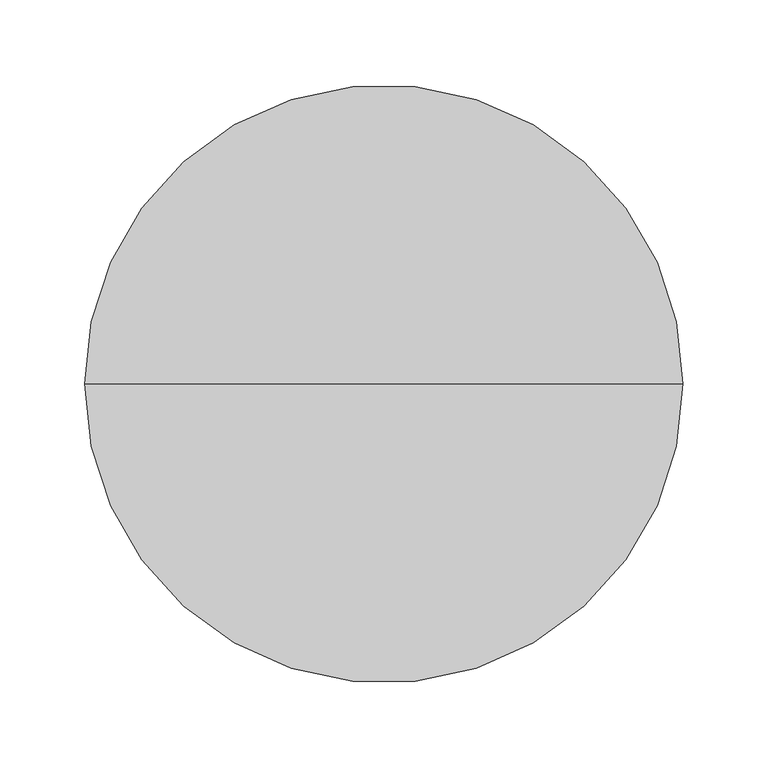
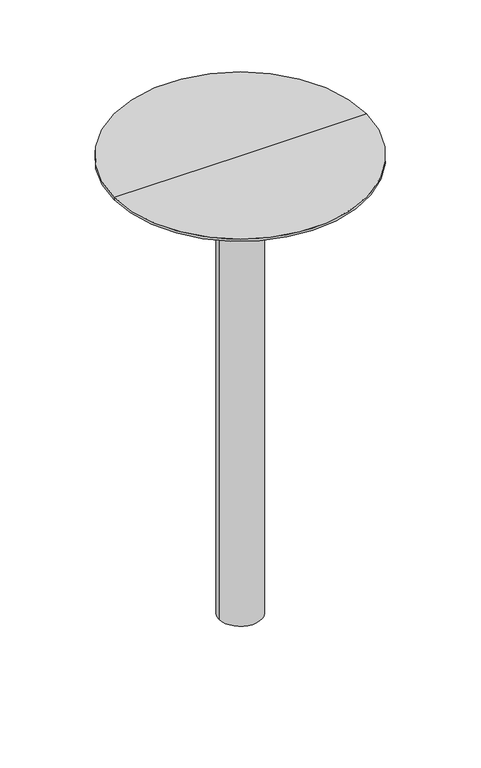
"""IFC4 building model written with IfcOpenShell, lengths in millimetres: furniture geometry."""

from ifc_helpers import new_model, si_unit, frame, origin, place, context, project, spatial, polyline, circle_curve, source, transform, mapped, element, save
from ifc_brep_helpers import plane_surface, cylinder_surface, revolved_surface, advanced_brep


def furniture_2be77494(model_context):
    return source(origin(), model_context, "Body", "AdvancedBrep", [
        advanced_brep(
        [(131.6004101, 0.0, 690.755027), (-131.6004101, 0.0, 690.755027), (-176.1626132, 0.0, 690.755027), (176.1626132, 0.0, 690.755027), (121.0488662, 0.0, 689.6460151), (-121.0488662, 0.0, 689.6460151), (48.7461809, 0.0, 674.9837029), (-48.7461809, 0.0, 674.9837029), (37.412985, 0.0, 674.9837029), (-37.412985, 0.0, 674.9837029), (29.5495828, 0.0, 19.9999965), (-29.5495828, 0.0, 19.9999965), (-29.5495828, 0.0, 686.7852036), (29.5495828, 0.0, 686.7852036), (0.0, 0.0, 19.9999965), (176.1626132, 0.0, 693.930027), (-176.1626132, 0.0, 693.930027), (0.0, 0.0, 693.930027), (33.3511087, 0.0, 676.4383874), (-33.3511087, 0.0, 676.4383874), (31.712334, 0.0, 686.7852036), (-31.712334, 0.0, 686.7852036)],
        [
            (0, 1, circle_curve(frame((0.0, 0.0, 690.755027), z_axis=(0.0, 0.0, 1.0), x_axis=(-1.0, 0.0, 0.0)), 131.6004101)),
            (1, 2),
            (2, 3, circle_curve(frame((0.0, 0.0, 690.755027), z_axis=(0.0, 0.0, -1.0), x_axis=(-1.0, 0.0, 0.0)), 176.1626132)),
            (3, 0),
            (1, 0, circle_curve(frame((0.0, 0.0, 690.755027), z_axis=(0.0, 0.0, 1.0), x_axis=(-1.0, 0.0, 0.0)), 131.6004101)),
            (3, 2, circle_curve(frame((0.0, 0.0, 690.755027), z_axis=(0.0, 0.0, -1.0), x_axis=(-1.0, 0.0, 0.0)), 176.1626132)),
            (4, 5, circle_curve(frame((0.0, 0.0, 689.6460151), z_axis=(0.0, 0.0, 1.0), x_axis=(-1.0, 0.0, 0.0)), 121.0488662)),
            (5, 1),
            (0, 4),
            (5, 4, circle_curve(frame((0.0, 0.0, 689.6460151), z_axis=(0.0, 0.0, 1.0), x_axis=(-1.0, 0.0, 0.0)), 121.0488662)),
            (6, 7, circle_curve(frame((0.0, 0.0, 674.9837029), z_axis=(0.0, 0.0, 1.0), x_axis=(-1.0, 0.0, 0.0)), 48.7461809)),
            (7, 5),
            (4, 6),
            (7, 6, circle_curve(frame((0.0, 0.0, 674.9837029), z_axis=(0.0, 0.0, 1.0), x_axis=(-1.0, 0.0, 0.0)), 48.7461809)),
            (8, 9, circle_curve(frame((0.0, 0.0, 674.9837029), z_axis=(0.0, 0.0, 1.0), x_axis=(-1.0, 0.0, 0.0)), 37.412985)),
            (9, 7),
            (6, 8),
            (9, 8, circle_curve(frame((0.0, 0.0, 674.9837029), z_axis=(0.0, 0.0, 1.0), x_axis=(-1.0, 0.0, 0.0)), 37.412985)),
            (10, 11, circle_curve(frame((0.0, 0.0, 19.9999965), z_axis=(0.0, 0.0, 1.0), x_axis=(-1.0, 0.0, 0.0)), 29.5495828)),
            (11, 12),
            (12, 13, circle_curve(frame((0.0, 0.0, 686.7852036), z_axis=(0.0, 0.0, -1.0), x_axis=(-1.0, 0.0, 0.0)), 29.5495828)),
            (13, 10),
            (11, 10, circle_curve(frame((0.0, 0.0, 19.9999965), z_axis=(0.0, 0.0, 1.0), x_axis=(-1.0, 0.0, 0.0)), 29.5495828)),
            (13, 12, circle_curve(frame((0.0, 0.0, 686.7852036), z_axis=(0.0, 0.0, -1.0), x_axis=(-1.0, 0.0, 0.0)), 29.5495828)),
            (14, 11),
            (10, 14),
            (15, 16, circle_curve(frame((0.0, 0.0, 693.930027), z_axis=(0.0, 0.0, 1.0), x_axis=(-1.0, 0.0, 0.0)), 176.1626132)),
            (16, 17),
            (17, 15),
            (16, 15, circle_curve(frame((0.0, 0.0, 693.930027), z_axis=(0.0, 0.0, 1.0), x_axis=(-1.0, 0.0, 0.0)), 176.1626132)),
            (2, 16),
            (15, 3),
            (18, 19, circle_curve(frame((0.0, 0.0, 676.4383874), z_axis=(0.0, 0.0, 1.0), x_axis=(-1.0, 0.0, 0.0)), 33.3511087)),
            (19, 9),
            (8, 18),
            (19, 18, circle_curve(frame((0.0, 0.0, 676.4383874), z_axis=(0.0, 0.0, 1.0), x_axis=(-1.0, 0.0, 0.0)), 33.3511087)),
            (20, 21, circle_curve(frame((0.0, 0.0, 686.7852036), z_axis=(0.0, 0.0, 1.0), x_axis=(-1.0, 0.0, 0.0)), 31.712334)),
            (21, 19),
            (18, 20),
            (21, 20, circle_curve(frame((0.0, 0.0, 686.7852036), z_axis=(0.0, 0.0, 1.0), x_axis=(-1.0, 0.0, 0.0)), 31.712334)),
            (12, 21),
            (20, 13),
        ],
        [
            plane_surface(frame((0.0, 0.0, 690.755027), z_axis=(0.0, 0.0, -1.0), x_axis=(-1.0, 0.0, 0.0))),
            revolved_surface(polyline([(-131.6004101, 0.0, 690.755027), (-121.0488662, 0.0, 689.6460151)]), (0.0, 0.0, 566.0999965), (0.0, 0.0, -1.0)),
            revolved_surface(polyline([(-121.0488662, 0.0, 689.6460151), (-48.7461809, 0.0, 674.9837029)]), (0.0, 0.0, 566.0999965), (0.0, 0.0, -1.0)),
            plane_surface(frame((0.0, 0.0, 674.9837029), z_axis=(0.0, 0.0, -1.0), x_axis=(-1.0, 0.0, 0.0))),
            cylinder_surface(frame((0.0, 0.0, 566.0999965), z_axis=(0.0, 0.0, -1.0), x_axis=(-1.0, 0.0, 0.0)), 29.5495828),
            plane_surface(frame((0.0, 0.0, 19.9999965), z_axis=(0.0, 0.0, -1.0), x_axis=(-1.0, 0.0, 0.0))),
            plane_surface(frame((0.0, 0.0, 693.930027), z_axis=(0.0, 0.0, 1.0), x_axis=(-1.0, 0.0, 0.0))),
            cylinder_surface(frame((0.0, 0.0, 566.0999965), z_axis=(0.0, 0.0, -1.0), x_axis=(-1.0, 0.0, 0.0)), 176.1626132),
            revolved_surface(polyline([(-37.412985, 0.0, 674.9837029), (-33.3511087, 0.0, 676.4383874)]), (0.0, 0.0, 566.0999965), (0.0, 0.0, -1.0)),
            revolved_surface(polyline([(-33.3511087, 0.0, 676.4383874), (-31.712334, 0.0, 686.7852036)]), (0.0, 0.0, 566.0999965), (0.0, 0.0, -1.0)),
            plane_surface(frame((0.0, 0.0, 686.7852036), z_axis=(0.0, 0.0, -1.0), x_axis=(-1.0, 0.0, 0.0))),
        ],
        [
            (0, [[1, 2, 3, 4]]),
            (0, [[5, -4, 6, -2]]),
            (1, [[7, 8, -1, 9]]),
            (1, [[10, -9, -5, -8]]),
            (2, [[11, 12, -7, 13]]),
            (2, [[14, -13, -10, -12]]),
            (3, [[15, 16, -11, 17]]),
            (3, [[18, -17, -14, -16]]),
            (4, [[19, 20, 21, 22]]),
            (4, [[23, -22, 24, -20]]),
            (5, [[25, -19, 26]]),
            (5, [[-26, -23, -25]]),
            (6, [[27, 28, 29]]),
            (6, [[30, -29, -28]]),
            (7, [[-3, 31, -27, 32]]),
            (7, [[-6, -32, -30, -31]]),
            (8, [[33, 34, -15, 35]]),
            (8, [[36, -35, -18, -34]]),
            (9, [[37, 38, -33, 39]]),
            (9, [[40, -39, -36, -38]]),
            (10, [[-21, 41, -37, 42]]),
            (10, [[-24, -42, -40, -41]]),
        ],
    ),
    ])


if __name__ == "__main__":
    model = new_model("IFC4")
    model_context = context("Model", 3, world=origin())
    ifc_project = project(units=[si_unit("LENGTHUNIT", "METRE", prefix="MILLI")], contexts=[model_context])
    site = spatial("IfcSite", under=ifc_project)
    building = spatial("IfcBuilding", under=site)
    placement = place(None, origin())
    furniture_shape = furniture_2be77494(model_context)
    element("IfcFurniture", 1, at=placement, inside=building, context=model_context, shape_type="MappedRepresentation", body=[
        mapped(furniture_shape, transform((0.0, 0.0, 0.0), x_axis=(1.0, 0.0, 0.0), y_axis=(0.0, 1.0, 0.0), z_axis=(0.0, 0.0, 1.0))),
    ])
    save(model, "model.ifc")
